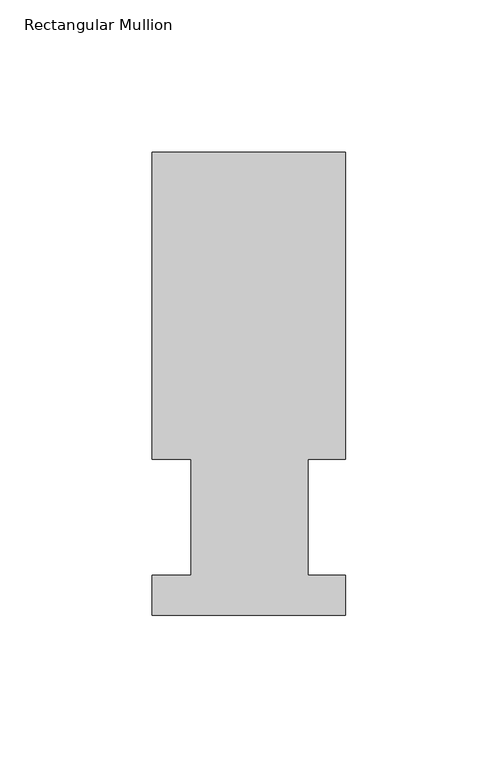
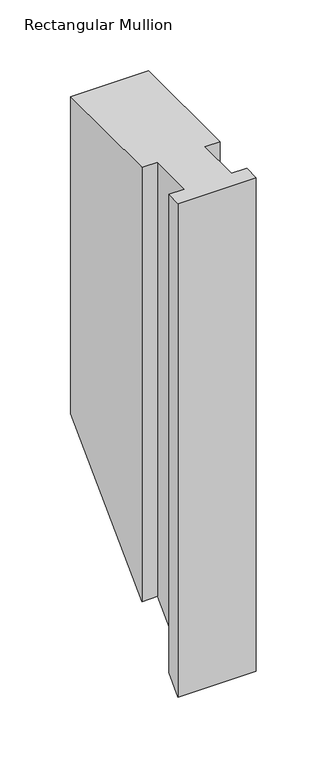
"""IFC4 building model written with IfcOpenShell, lengths in millimetres: member geometry, Rectangular Mullion."""

from ifc_helpers import new_model, si_unit, origin, place, context, project, spatial, faceted_brep, source, transform, mapped, element, save


def rectangular_mullion_39c7265e(model_context):
    return source(origin(), model_context, "Body", "Brep", [
        faceted_brep([(0.0, 151.9816937, 0.0), (-63.5, 151.9816937, 0.0), (-63.5, 51.2960938, 0.0), (-50.8, 51.2960938, 0.0), (-50.8, 13.1960937, 0.0), (-63.5, 13.1960937, 0.0), (-63.5, 0.0134937, 0.0), (0.0, 0.0134937, 0.0), (0.0, 13.1960937, 0.0), (-12.3418395, 13.1960937, 0.0), (-12.3418395, 51.2960937, 0.0), (0.0, 51.2960938, 0.0), (0.0, 151.9816937, -273.4683063), (-63.5, 151.9816937, -273.4683063), (-63.5, 51.2960938, -374.1539063), (-50.8, 51.2960938, -374.1539063), (-50.8, 13.1960937, -412.2539063), (-63.5, 13.1960937, -412.2539063), (-63.5, 0.0134937, -425.4365063), (0.0, 0.0134937, -425.4365063), (0.0, 13.1960937, -412.2539063), (-12.3418395, 13.1960937, -412.2539063), (-12.3418395, 51.2960937, -374.1539063), (0.0, 51.2960937, -374.1539063)], [[[0, 1, 2, 3, 4, 5, 6, 7, 8, 9, 10, 11]], [[1, 0, 12, 13]], [[2, 1, 13, 14]], [[3, 2, 14, 15]], [[4, 3, 15, 16]], [[5, 4, 16, 17]], [[6, 5, 17, 18]], [[7, 6, 18, 19]], [[8, 7, 19, 20]], [[9, 8, 20, 21]], [[10, 9, 21, 22]], [[11, 10, 22, 23]], [[0, 11, 23, 12]], [[12, 23, 22, 21, 20, 19, 18, 17, 16, 15, 14, 13]]]),
    ])


if __name__ == "__main__":
    model = new_model("IFC4")
    model_context = context("Model", 3, world=origin())
    ifc_project = project(units=[si_unit("LENGTHUNIT", "METRE", prefix="MILLI")], contexts=[model_context])
    site = spatial("IfcSite", under=ifc_project)
    building = spatial("IfcBuilding", under=site)
    placement = place(None, origin())
    rectangular_mullion_shape = rectangular_mullion_39c7265e(model_context)
    element("IfcMember", 1, ObjectType="Rectangular Mullion", at=placement, inside=building, context=model_context, shape_type="MappedRepresentation", body=[
        mapped(rectangular_mullion_shape, transform((0.0, 0.0, 0.0), x_axis=(1.0, 0.0, 0.0), y_axis=(0.0, 1.0, 0.0), z_axis=(0.0, 0.0, 1.0))),
    ])
    save(model, "model.ifc")
